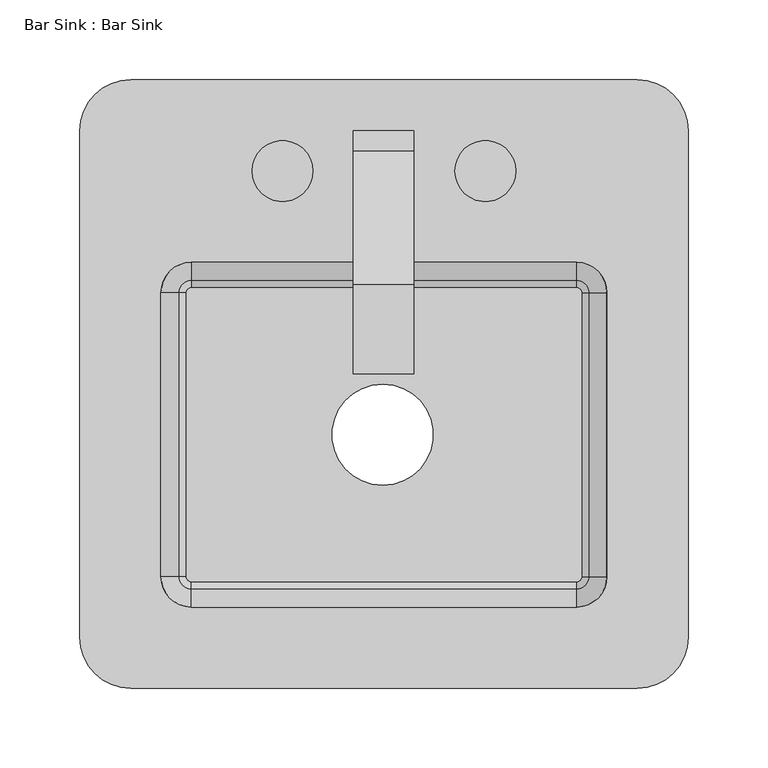
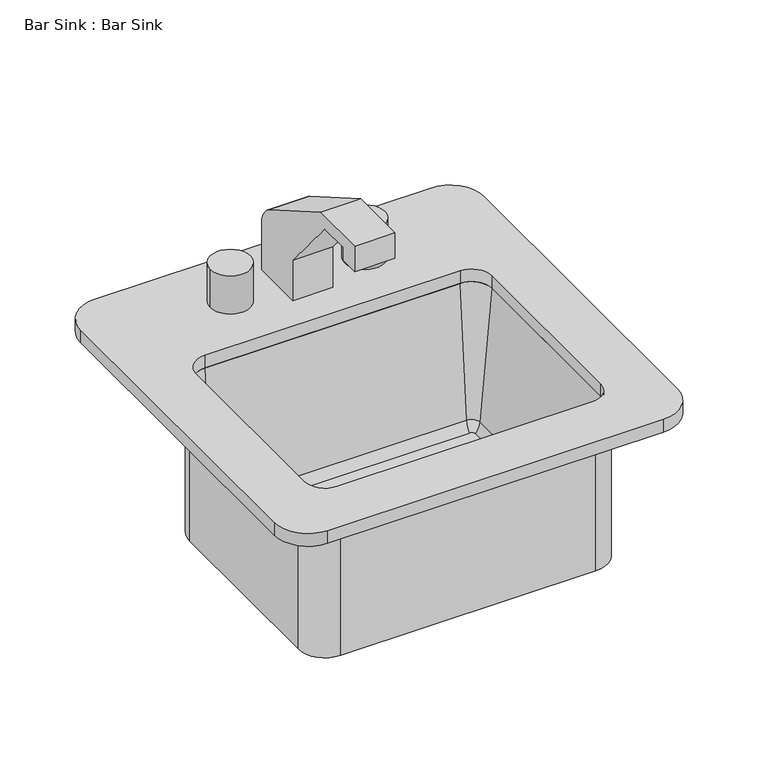
"""IFC4 building model written with IfcOpenShell, lengths in millimetres: flow terminal geometry, Bar Sink : Bar Sink."""

from ifc_helpers import new_model, si_unit, point, frame, frame_2d, origin, place, context, project, spatial, polyline, circle_curve, ellipse_curve, trimmed, segment, composite_curve, outline, extrude, source, transform, mapped, element, save
from ifc_brep_helpers import plane_surface, cylinder_surface, revolved_surface, advanced_brep


def bar_sink_bar_sink_6099808b(model_context):
    return source(origin(), model_context, "Body", "SolidModel", [
        extrude(outline(composite_curve([segment(polyline([(387.35, 972.7603032), (387.35, 927.1), (336.55, 927.1), (336.55, 967.3993525), (283.7805786, 1030.2875), (254.0, 1030.2875), (254.0, 1017.5875), (234.95, 1017.5875), (234.95, 1042.9875), (291.112927, 1042.9875), (374.65, 994.7573484)]), True, "CONTINUOUS"), segment(trimmed(circle_curve(frame_2d((361.95, 972.7603032)), 25.4), [point((374.65, 994.7573484))], [point((387.35, 972.7603032))], False, "CARTESIAN"), True, "CONTINUOUS")], self_intersect=False)), frame((-19.3098093, 0.0, 0.0), z_axis=(1.0, 0.0, 0.0), x_axis=(0.0, 1.0, 0.0)), (0.0, 0.0, 1.0), 38.1),
        extrude(outline(composite_curve([segment(trimmed(circle_curve(frame_2d((-63.5, 361.95)), 19.05), [point((-82.55, 361.95))], [point((-44.45, 361.95))], False, "CARTESIAN"), True, "CONTINUOUS"), segment(trimmed(circle_curve(frame_2d((-63.5, 361.95)), 19.05), [point((-44.45, 361.95))], [point((-82.55, 361.95))], False, "CARTESIAN"), True, "CONTINUOUS")], self_intersect=False)), frame((0.0, 0.0, 927.1), z_axis=(0.0, 0.0, 1.0), x_axis=(1.0, 0.0, 0.0)), (0.0, 0.0, 1.0), 38.1),
        extrude(outline(composite_curve([segment(trimmed(circle_curve(frame_2d((63.5, 361.95)), 19.05), [point((44.45, 361.95))], [point((82.55, 361.95))], False, "CARTESIAN"), True, "CONTINUOUS"), segment(trimmed(circle_curve(frame_2d((63.5, 361.95)), 19.05), [point((82.55, 361.95))], [point((44.45, 361.95))], False, "CARTESIAN"), True, "CONTINUOUS")], self_intersect=False)), frame((0.0, 0.0, 927.1), z_axis=(0.0, 0.0, 1.0), x_axis=(1.0, 0.0, 0.0)), (0.0, 0.0, 1.0), 38.1),
        extrude(outline(composite_curve([segment(trimmed(circle_curve(frame_2d((120.65, 285.75)), 3.175), [point((120.65, 288.925))], [point((123.825, 285.75))], False, "CARTESIAN"), True, "CONTINUOUS"), segment(polyline([(123.825, 285.75), (123.825, 107.95)]), True, "CONTINUOUS"), segment(trimmed(circle_curve(frame_2d((120.65, 107.95)), 3.175), [point((123.825, 107.95))], [point((120.65, 104.775))], False, "CARTESIAN"), True, "CONTINUOUS"), segment(polyline([(120.65, 104.775), (-120.65, 104.775)]), True, "CONTINUOUS"), segment(trimmed(circle_curve(frame_2d((-120.65, 107.95)), 3.175), [point((-120.65, 104.775))], [point((-123.825, 107.95))], False, "CARTESIAN"), True, "CONTINUOUS"), segment(polyline([(-123.825, 107.95), (-123.825, 285.75)]), True, "CONTINUOUS"), segment(trimmed(circle_curve(frame_2d((-120.65, 285.75)), 3.175), [point((-123.825, 285.75))], [point((-120.65, 288.925))], False, "CARTESIAN"), True, "CONTINUOUS"), segment(polyline([(-120.65, 288.925), (120.65, 288.925)]), True, "CONTINUOUS")], self_intersect=False), holes=[composite_curve([segment(trimmed(circle_curve(frame_2d((-0.7887131, 196.85)), 31.6232987), [point((-0.7887131, 228.4732987))], [point((-0.7887131, 165.2267013))], True, "CARTESIAN"), True, "CONTINUOUS"), segment(trimmed(circle_curve(frame_2d((-0.7887131, 196.85)), 31.6232987), [point((-0.7887131, 165.2267013))], [point((-0.7887131, 228.4732987))], True, "CARTESIAN"), True, "CONTINUOUS")], self_intersect=False)]), frame((0.0, 0.0, 762.0), z_axis=(0.0, 0.0, 1.0), x_axis=(1.0, 0.0, 0.0)), (0.0, 0.0, 1.0), 12.7),
        advanced_brep(
        [(146.05, 285.75, 762.0), (120.65, 311.15, 762.0), (120.65, 311.15, 914.4), (146.05, 285.75, 914.4), (123.825, 285.75, 762.0), (120.65, 288.925, 762.0), (123.825, 285.75, 774.7), (120.65, 288.925, 774.7), (128.3545012, 285.75, 784.7203552), (120.65, 293.4545012, 784.7203552), (139.7, 285.75, 914.4), (120.65, 304.8, 914.4), (146.05, 107.95, 914.4), (146.05, 107.95, 762.0), (123.825, 107.95, 762.0), (123.825, 107.95, 774.7), (128.3545012, 107.95, 784.7203552), (139.7, 107.95, 914.4), (120.65, 82.55, 914.4), (120.65, 82.55, 762.0), (120.65, 104.775, 762.0), (120.65, 104.775, 774.7), (120.65, 100.2454988, 784.7203552), (120.65, 88.9, 914.4), (-120.65, 82.55, 914.4), (-120.65, 82.55, 762.0), (-120.65, 104.775, 762.0), (-120.65, 104.775, 774.7), (-120.65, 100.2454988, 784.7203552), (-120.65, 88.9, 914.4), (-146.05, 107.95, 914.4), (-146.05, 107.95, 762.0), (-123.825, 107.95, 762.0), (-123.825, 107.95, 774.7), (-128.3545012, 107.95, 784.7203552), (-139.7, 107.95, 914.4), (-146.05, 285.75, 914.4), (-146.05, 285.75, 762.0), (-123.825, 285.75, 762.0), (-123.825, 285.75, 774.7), (-128.3545012, 285.75, 784.7203552), (-139.7, 285.75, 914.4), (-120.65, 311.15, 914.4), (-120.65, 311.15, 762.0), (-120.65, 288.925, 762.0), (-120.65, 288.925, 774.7), (-120.65, 293.4545012, 784.7203552), (-120.65, 304.8, 914.4)],
        [
            (0, 1, circle_curve(frame((120.65, 285.75, 762.0), z_axis=(0.0, 0.0, 1.0), x_axis=(0.0, 1.0, 0.0)), 25.4)),
            (1, 2),
            (2, 3, circle_curve(frame((120.65, 285.75, 914.4), z_axis=(0.0, 0.0, -1.0), x_axis=(0.0, 1.0, 0.0)), 25.4)),
            (3, 0),
            (0, 4),
            (4, 5, circle_curve(frame((120.65, 285.75, 762.0), z_axis=(0.0, 0.0, 1.0), x_axis=(0.0, 1.0, 0.0)), 3.175)),
            (5, 1),
            (4, 6),
            (6, 7, circle_curve(frame((120.65, 285.75, 774.7), z_axis=(0.0, 0.0, 1.0), x_axis=(0.0, 1.0, 0.0)), 3.175)),
            (7, 5),
            (6, 8, circle_curve(frame((110.2154024, 285.75, 786.8858593), z_axis=(0.0, -1.0, 0.0), x_axis=(1.0, 0.0, 0.0)), 18.2679039)),
            (8, 9, circle_curve(frame((120.65, 285.75, 784.7203552), z_axis=(0.0, 0.0, 1.0), x_axis=(0.0, 1.0, 0.0)), 7.7045012)),
            (9, 7, circle_curve(frame((120.65, 275.3154024, 786.8858593), z_axis=(-1.0, 0.0, 0.0), x_axis=(0.0, 1.0, 0.0)), 18.2679039)),
            (8, 10),
            (10, 11, circle_curve(frame((120.65, 285.75, 914.4), z_axis=(0.0, 0.0, 1.0), x_axis=(0.0, 1.0, 0.0)), 19.05)),
            (11, 9),
            (2, 11),
            (10, 3),
            (3, 12),
            (12, 13),
            (13, 0),
            (13, 14),
            (14, 4),
            (14, 15),
            (15, 6),
            (15, 16, circle_curve(frame((110.2154024, 107.95, 786.8858593), z_axis=(0.0, -1.0, 0.0), x_axis=(1.0, 0.0, 0.0)), 18.2679039)),
            (16, 8),
            (16, 17),
            (17, 10),
            (17, 12),
            (12, 18, circle_curve(frame((120.65, 107.95, 914.4), z_axis=(0.0, 0.0, -1.0), x_axis=(1.0, 0.0, 0.0)), 25.4)),
            (18, 19),
            (19, 13, circle_curve(frame((120.65, 107.95, 762.0), z_axis=(0.0, 0.0, 1.0), x_axis=(1.0, 0.0, 0.0)), 25.4)),
            (19, 20),
            (20, 14, circle_curve(frame((120.65, 107.95, 762.0), z_axis=(0.0, 0.0, 1.0), x_axis=(1.0, 0.0, 0.0)), 3.175)),
            (20, 21),
            (21, 15, circle_curve(frame((120.65, 107.95, 774.7), z_axis=(0.0, 0.0, 1.0), x_axis=(1.0, 0.0, 0.0)), 3.175)),
            (21, 22, circle_curve(frame((120.65, 118.3845976, 786.8858593), z_axis=(-1.0, 0.0, 0.0), x_axis=(0.0, -1.0, 0.0)), 18.2679039)),
            (22, 16, circle_curve(frame((120.65, 107.95, 784.7203552), z_axis=(0.0, 0.0, 1.0), x_axis=(1.0, 0.0, 0.0)), 7.7045012)),
            (22, 23),
            (23, 17, circle_curve(frame((120.65, 107.95, 914.4), z_axis=(0.0, 0.0, 1.0), x_axis=(1.0, 0.0, 0.0)), 19.05)),
            (23, 18),
            (18, 24),
            (24, 25),
            (25, 19),
            (25, 26),
            (26, 20),
            (26, 27),
            (27, 21),
            (27, 28, circle_curve(frame((-120.65, 118.3845976, 786.8858593), z_axis=(-1.0, 0.0, 0.0), x_axis=(0.0, -1.0, 0.0)), 18.2679039)),
            (28, 22),
            (28, 29),
            (29, 23),
            (29, 24),
            (24, 30, circle_curve(frame((-120.65, 107.95, 914.4), z_axis=(0.0, 0.0, -1.0), x_axis=(0.0, -1.0, 0.0)), 25.4)),
            (30, 31),
            (31, 25, circle_curve(frame((-120.65, 107.95, 762.0), z_axis=(0.0, 0.0, 1.0), x_axis=(0.0, -1.0, 0.0)), 25.4)),
            (31, 32),
            (32, 26, circle_curve(frame((-120.65, 107.95, 762.0), z_axis=(0.0, 0.0, 1.0), x_axis=(0.0, -1.0, 0.0)), 3.175)),
            (32, 33),
            (33, 27, circle_curve(frame((-120.65, 107.95, 774.7), z_axis=(0.0, 0.0, 1.0), x_axis=(0.0, -1.0, 0.0)), 3.175)),
            (33, 34, circle_curve(frame((-110.2154024, 107.95, 786.8858593), z_axis=(0.0, 1.0, 0.0), x_axis=(-1.0, 0.0, 0.0)), 18.2679039)),
            (34, 28, circle_curve(frame((-120.65, 107.95, 784.7203552), z_axis=(0.0, 0.0, 1.0), x_axis=(0.0, -1.0, 0.0)), 7.7045012)),
            (34, 35),
            (35, 29, circle_curve(frame((-120.65, 107.95, 914.4), z_axis=(0.0, 0.0, 1.0), x_axis=(0.0, -1.0, 0.0)), 19.05)),
            (35, 30),
            (30, 36),
            (36, 37),
            (37, 31),
            (37, 38),
            (38, 32),
            (38, 39),
            (39, 33),
            (39, 40, circle_curve(frame((-110.2154024, 285.75, 786.8858593), z_axis=(0.0, 1.0, 0.0), x_axis=(-1.0, 0.0, 0.0)), 18.2679039)),
            (40, 34),
            (40, 41),
            (41, 35),
            (41, 36),
            (36, 42, circle_curve(frame((-120.65, 285.75, 914.4), z_axis=(0.0, 0.0, -1.0), x_axis=(-1.0, 0.0, 0.0)), 25.4)),
            (42, 43),
            (43, 37, circle_curve(frame((-120.65, 285.75, 762.0), z_axis=(0.0, 0.0, 1.0), x_axis=(-1.0, 0.0, 0.0)), 25.4)),
            (43, 44),
            (44, 38, circle_curve(frame((-120.65, 285.75, 762.0), z_axis=(0.0, 0.0, 1.0), x_axis=(-1.0, 0.0, 0.0)), 3.175)),
            (44, 45),
            (45, 39, circle_curve(frame((-120.65, 285.75, 774.7), z_axis=(0.0, 0.0, 1.0), x_axis=(-1.0, 0.0, 0.0)), 3.175)),
            (45, 46, circle_curve(frame((-120.65, 275.3154024, 786.8858593), z_axis=(1.0, 0.0, 0.0), x_axis=(0.0, 1.0, 0.0)), 18.2679039)),
            (46, 40, circle_curve(frame((-120.65, 285.75, 784.7203552), z_axis=(0.0, 0.0, 1.0), x_axis=(-1.0, 0.0, 0.0)), 7.7045012)),
            (46, 47),
            (47, 41, circle_curve(frame((-120.65, 285.75, 914.4), z_axis=(0.0, 0.0, 1.0), x_axis=(-1.0, 0.0, 0.0)), 19.05)),
            (47, 42),
            (1, 43),
            (42, 2),
            (5, 44),
            (7, 45),
            (9, 46),
            (11, 47),
        ],
        [
            cylinder_surface(frame((120.65, 285.75, 914.4), z_axis=(0.0, 0.0, -1.0), x_axis=(0.0, 1.0, 0.0)), 25.4),
            plane_surface(frame((120.65, 285.75, 762.0), z_axis=(0.0, 0.0, -1.0), x_axis=(0.0, 1.0, 0.0))),
            revolved_surface(polyline([(120.65, 288.925, 762.0), (120.65, 288.925, 774.7)]), (120.65, 285.75, 914.4), (0.0, 0.0, -1.0)),
            revolved_surface(trimmed(ellipse_curve(frame((120.65, 275.3154024, 786.8858593), z_axis=(1.0, 0.0, 0.0), x_axis=(0.0, 1.0, 0.0)), 18.2679039, 18.2679039), [point((120.65, 288.925, 774.7))], [point((120.65, 293.4545012, 784.7203552))], True, "CARTESIAN"), (120.65, 285.75, 914.4), (0.0, 0.0, -1.0)),
            revolved_surface(polyline([(120.65, 293.4545012, 784.7203552), (120.65, 304.8, 914.4)]), (120.65, 285.75, 914.4), (0.0, 0.0, -1.0)),
            plane_surface(frame((120.65, 285.75, 914.4), z_axis=(0.0, 0.0, 1.0), x_axis=(0.0, 1.0, 0.0))),
            plane_surface(frame((146.05, 285.75, 914.4), z_axis=(1.0, 0.0, 0.0), x_axis=(0.0, -1.0, 0.0))),
            plane_surface(frame((146.05, 285.75, 762.0), z_axis=(0.0, 0.0, -1.0), x_axis=(0.0, -1.0, 0.0))),
            plane_surface(frame((123.825, 285.75, 762.0), z_axis=(-1.0, 0.0, 0.0), x_axis=(0.0, -1.0, 0.0))),
            revolved_surface(polyline([(128.4833063, 107.94999999999999, 786.8858593), (128.4833063, 285.75, 786.8858593)]), (110.2154024, 285.75, 786.8858593), (0.0, -1.0, 0.0)),
            plane_surface(frame((128.3545012, 285.75, 784.7203552), z_axis=(-0.996194698091744, 0.0, 0.08715574274767607), x_axis=(0.0, -1.0, 0.0))),
            plane_surface(frame((139.7, 285.75, 914.4), z_axis=(0.0, 0.0, 1.0), x_axis=(0.0, -1.0, 0.0))),
            cylinder_surface(frame((120.65, 107.95, 914.4), z_axis=(0.0, 0.0, -1.0), x_axis=(1.0, 0.0, 0.0)), 25.4),
            plane_surface(frame((120.65, 107.95, 762.0), z_axis=(0.0, 0.0, -1.0), x_axis=(1.0, 0.0, 0.0))),
            revolved_surface(polyline([(123.825, 107.95, 762.0), (123.825, 107.95, 774.7)]), (120.65, 107.95, 914.4), (0.0, 0.0, -1.0)),
            revolved_surface(trimmed(ellipse_curve(frame((110.2154024, 107.95, 786.8858593), z_axis=(0.0, -1.0, 0.0), x_axis=(1.0, 0.0, 0.0)), 18.2679039, 18.2679039), [point((123.825, 107.95, 774.7))], [point((128.3545012, 107.95, 784.7203552))], True, "CARTESIAN"), (120.65, 107.95, 914.4), (0.0, 0.0, -1.0)),
            revolved_surface(polyline([(128.3545012, 107.95, 784.7203552), (139.7, 107.95, 914.4)]), (120.65, 107.95, 914.4), (0.0, 0.0, -1.0)),
            plane_surface(frame((120.65, 107.95, 914.4), z_axis=(0.0, 0.0, 1.0), x_axis=(1.0, 0.0, 0.0))),
            plane_surface(frame((120.65, 82.55, 914.4), z_axis=(0.0, -1.0, 0.0), x_axis=(-1.0, 0.0, 0.0))),
            plane_surface(frame((120.65, 82.55, 762.0), z_axis=(0.0, 0.0, -1.0), x_axis=(-1.0, 0.0, 0.0))),
            plane_surface(frame((120.65, 104.775, 762.0), z_axis=(0.0, 1.0, 0.0), x_axis=(-1.0, 0.0, 0.0))),
            revolved_surface(polyline([(-120.65, 100.11669370000001, 786.8858593), (120.65, 100.11669370000001, 786.8858593)]), (120.65, 118.3845976, 786.8858593), (-1.0, 0.0, 0.0)),
            plane_surface(frame((120.65, 100.2454988, 784.7203552), z_axis=(0.0, 0.996194698091744, 0.08715574274767607), x_axis=(-1.0, 0.0, 0.0))),
            plane_surface(frame((120.65, 88.9, 914.4), z_axis=(0.0, 0.0, 1.0), x_axis=(-1.0, 0.0, 0.0))),
            cylinder_surface(frame((-120.65, 107.95, 914.4), z_axis=(0.0, 0.0, -1.0), x_axis=(0.0, -1.0, 0.0)), 25.4),
            plane_surface(frame((-120.65, 107.95, 762.0), z_axis=(0.0, 0.0, -1.0), x_axis=(0.0, -1.0, 0.0))),
            revolved_surface(polyline([(-120.65, 104.775, 762.0), (-120.65, 104.775, 774.7)]), (-120.65, 107.95, 914.4), (0.0, 0.0, -1.0)),
            revolved_surface(trimmed(ellipse_curve(frame((-120.65, 118.3845976, 786.8858593), z_axis=(-1.0, 0.0, 0.0), x_axis=(0.0, -1.0, 0.0)), 18.2679039, 18.2679039), [point((-120.65, 104.775, 774.7))], [point((-120.65, 100.2454988, 784.7203552))], True, "CARTESIAN"), (-120.65, 107.95, 914.4), (0.0, 0.0, -1.0)),
            revolved_surface(polyline([(-120.65, 100.2454988, 784.7203552), (-120.65, 88.9, 914.4)]), (-120.65, 107.95, 914.4), (0.0, 0.0, -1.0)),
            plane_surface(frame((-120.65, 107.95, 914.4), z_axis=(0.0, 0.0, 1.0), x_axis=(0.0, -1.0, 0.0))),
            plane_surface(frame((-146.05, 107.95, 914.4), z_axis=(-1.0, 0.0, 0.0), x_axis=(0.0, 1.0, 0.0))),
            plane_surface(frame((-146.05, 107.95, 762.0), z_axis=(0.0, 0.0, -1.0), x_axis=(0.0, 1.0, 0.0))),
            plane_surface(frame((-123.825, 107.95, 762.0), z_axis=(1.0, 0.0, 0.0), x_axis=(0.0, 1.0, 0.0))),
            revolved_surface(polyline([(-128.4833063, 285.75, 786.8858593), (-128.4833063, 107.95, 786.8858593)]), (-110.2154024, 107.95, 786.8858593), (0.0, 1.0, 0.0)),
            plane_surface(frame((-128.3545012, 107.95, 784.7203552), z_axis=(0.996194698091744, 0.0, 0.08715574274767607), x_axis=(0.0, 1.0, 0.0))),
            plane_surface(frame((-139.7, 107.95, 914.4), z_axis=(0.0, 0.0, 1.0), x_axis=(0.0, 1.0, 0.0))),
            cylinder_surface(frame((-120.65, 285.75, 914.4), z_axis=(0.0, 0.0, -1.0), x_axis=(-1.0, 0.0, 0.0)), 25.4),
            plane_surface(frame((-120.65, 285.75, 762.0), z_axis=(0.0, 0.0, -1.0), x_axis=(-1.0, 0.0, 0.0))),
            revolved_surface(polyline([(-123.825, 285.75, 762.0), (-123.825, 285.75, 774.7)]), (-120.65, 285.75, 914.4), (0.0, 0.0, -1.0)),
            revolved_surface(trimmed(ellipse_curve(frame((-110.2154024, 285.75, 786.8858593), z_axis=(0.0, 1.0, 0.0), x_axis=(-1.0, 0.0, 0.0)), 18.2679039, 18.2679039), [point((-123.825, 285.75, 774.7))], [point((-128.3545012, 285.75, 784.7203552))], True, "CARTESIAN"), (-120.65, 285.75, 914.4), (0.0, 0.0, -1.0)),
            revolved_surface(polyline([(-128.3545012, 285.75, 784.7203552), (-139.7, 285.75, 914.4)]), (-120.65, 285.75, 914.4), (0.0, 0.0, -1.0)),
            plane_surface(frame((-120.65, 285.75, 914.4), z_axis=(0.0, 0.0, 1.0), x_axis=(-1.0, 0.0, 0.0))),
            plane_surface(frame((-120.65, 311.15, 914.4), z_axis=(0.0, 1.0, 0.0), x_axis=(1.0, 0.0, 0.0))),
            plane_surface(frame((-120.65, 311.15, 762.0), z_axis=(0.0, 0.0, -1.0), x_axis=(1.0, 0.0, 0.0))),
            plane_surface(frame((-120.65, 288.925, 762.0), z_axis=(0.0, -1.0, 0.0), x_axis=(1.0, 0.0, 0.0))),
            revolved_surface(polyline([(120.65, 293.5833063, 786.8858593), (-120.65, 293.5833063, 786.8858593)]), (-120.65, 275.3154024, 786.8858593), (1.0, 0.0, 0.0)),
            plane_surface(frame((-120.65, 293.4545012, 784.7203552), z_axis=(0.0, -0.996194698091744, 0.08715574274767607), x_axis=(1.0, 0.0, 0.0))),
            plane_surface(frame((-120.65, 304.8, 914.4), z_axis=(0.0, 0.0, 1.0), x_axis=(1.0, 0.0, 0.0))),
        ],
        [
            (0, [[1, 2, 3, 4]]),
            (1, [[-1, 5, 6, 7]]),
            (2, [[-6, 8, 9, 10]]),
            (3, [[-9, 11, 12, 13]]),
            (4, [[-12, 14, 15, 16]]),
            (5, [[-3, 17, -15, 18]]),
            (6, [[-4, 19, 20, 21]]),
            (7, [[-5, -21, 22, 23]]),
            (8, [[-8, -23, 24, 25]]),
            (9, [[-11, -25, 26, 27]]),
            (10, [[-14, -27, 28, 29]]),
            (11, [[-18, -29, 30, -19]]),
            (12, [[-20, 31, 32, 33]]),
            (13, [[-22, -33, 34, 35]]),
            (14, [[-24, -35, 36, 37]]),
            (15, [[-26, -37, 38, 39]]),
            (16, [[-28, -39, 40, 41]]),
            (17, [[-30, -41, 42, -31]]),
            (18, [[-32, 43, 44, 45]]),
            (19, [[-34, -45, 46, 47]]),
            (20, [[-36, -47, 48, 49]]),
            (21, [[-38, -49, 50, 51]]),
            (22, [[-40, -51, 52, 53]]),
            (23, [[-42, -53, 54, -43]]),
            (24, [[-44, 55, 56, 57]]),
            (25, [[-46, -57, 58, 59]]),
            (26, [[-48, -59, 60, 61]]),
            (27, [[-50, -61, 62, 63]]),
            (28, [[-52, -63, 64, 65]]),
            (29, [[-54, -65, 66, -55]]),
            (30, [[-56, 67, 68, 69]]),
            (31, [[-58, -69, 70, 71]]),
            (32, [[-60, -71, 72, 73]]),
            (33, [[-62, -73, 74, 75]]),
            (34, [[-64, -75, 76, 77]]),
            (35, [[-66, -77, 78, -67]]),
            (36, [[-68, 79, 80, 81]]),
            (37, [[-70, -81, 82, 83]]),
            (38, [[-72, -83, 84, 85]]),
            (39, [[-74, -85, 86, 87]]),
            (40, [[-76, -87, 88, 89]]),
            (41, [[-78, -89, 90, -79]]),
            (42, [[-2, 91, -80, 92]]),
            (43, [[-7, 93, -82, -91]]),
            (44, [[-10, 94, -84, -93]]),
            (45, [[-13, 95, -86, -94]]),
            (46, [[-16, 96, -88, -95]]),
            (47, [[-17, -92, -90, -96]]),
        ],
    ),
        extrude(outline(composite_curve([segment(trimmed(circle_curve(frame_2d((158.75, 387.35)), 31.75), [point((158.75, 419.1))], [point((190.5, 387.35))], False, "CARTESIAN"), True, "CONTINUOUS"), segment(polyline([(190.5, 387.35), (190.5, 69.85)]), True, "CONTINUOUS"), segment(trimmed(circle_curve(frame_2d((158.75, 69.85)), 31.75), [point((190.5, 69.85))], [point((158.75, 38.1))], False, "CARTESIAN"), True, "CONTINUOUS"), segment(polyline([(158.75, 38.1), (-158.75, 38.1)]), True, "CONTINUOUS"), segment(trimmed(circle_curve(frame_2d((-158.75, 69.85)), 31.75), [point((-158.75, 38.1))], [point((-190.5, 69.85))], False, "CARTESIAN"), True, "CONTINUOUS"), segment(polyline([(-190.5, 69.85), (-190.5, 387.35)]), True, "CONTINUOUS"), segment(trimmed(circle_curve(frame_2d((-158.75, 387.35)), 31.75), [point((-190.5, 387.35))], [point((-158.75, 419.1))], False, "CARTESIAN"), True, "CONTINUOUS"), segment(polyline([(-158.75, 419.1), (158.75, 419.1)]), True, "CONTINUOUS")], self_intersect=False), holes=[composite_curve([segment(trimmed(circle_curve(frame_2d((120.65, 107.95)), 19.05), [point((120.65, 88.9))], [point((139.7, 107.95))], True, "CARTESIAN"), True, "CONTINUOUS"), segment(polyline([(139.7, 107.95), (139.7, 285.75)]), True, "CONTINUOUS"), segment(trimmed(circle_curve(frame_2d((120.65, 285.75)), 19.05), [point((139.7, 285.75))], [point((120.65, 304.8))], True, "CARTESIAN"), True, "CONTINUOUS"), segment(polyline([(120.65, 304.8), (-120.65, 304.8)]), True, "CONTINUOUS"), segment(trimmed(circle_curve(frame_2d((-120.65, 285.75)), 19.05), [point((-120.65, 304.8))], [point((-139.7, 285.75))], True, "CARTESIAN"), True, "CONTINUOUS"), segment(polyline([(-139.7, 285.75), (-139.7, 107.95)]), True, "CONTINUOUS"), segment(trimmed(circle_curve(frame_2d((-120.65, 107.95)), 19.05), [point((-139.7, 107.95))], [point((-120.65, 88.9))], True, "CARTESIAN"), True, "CONTINUOUS"), segment(polyline([(-120.65, 88.9), (120.65, 88.9)]), True, "CONTINUOUS")], self_intersect=False)]), frame((0.0, 0.0, 914.4), z_axis=(0.0, 0.0, 1.0), x_axis=(1.0, 0.0, 0.0)), (0.0, 0.0, 1.0), 12.7),
    ])


if __name__ == "__main__":
    model = new_model("IFC4")
    model_context = context("Model", 3, world=origin())
    ifc_project = project(units=[si_unit("LENGTHUNIT", "METRE", prefix="MILLI")], contexts=[model_context])
    site = spatial("IfcSite", under=ifc_project)
    building = spatial("IfcBuilding", under=site)
    placement = place(None, origin())
    bar_sink_bar_sink_shape = bar_sink_bar_sink_6099808b(model_context)
    element("IfcFlowTerminal", 1, ObjectType="Bar Sink : Bar Sink", at=placement, inside=building, context=model_context, shape_type="MappedRepresentation", body=[
        mapped(bar_sink_bar_sink_shape, transform((0.0, 0.0, 0.0), x_axis=(1.0, 0.0, 0.0), y_axis=(0.0, 1.0, 0.0), z_axis=(0.0, 0.0, 1.0))),
    ])
    save(model, "model.ifc")
